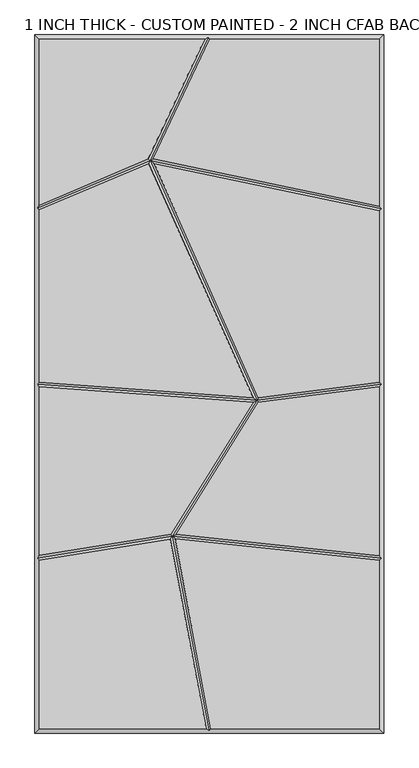
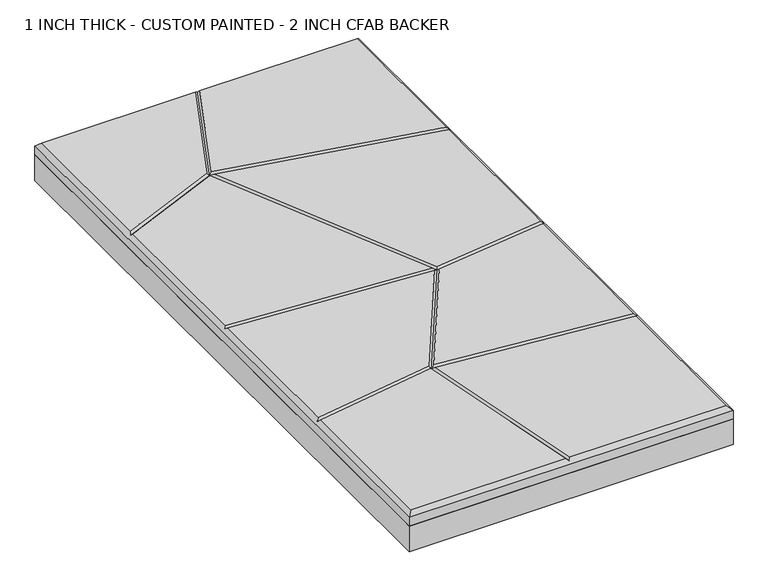
"""IFC4 building model written with IfcOpenShell, lengths in millimetres: proxy geometry, 1 INCH THICK - CUSTOM PAINTED - 2 INCH CFAB BACKER."""

from ifc_helpers import new_model, si_unit, frame, origin, place, context, project, spatial, polyline, outline, extrude, faceted_brep, source, transform, mapped, element, save


def proxy_1_inch_thick_custom_painted_2_inch_cfab_backer_5a79d540(model_context):
    return source(origin(), model_context, "Body", "SolidModel", [
        extrude(outline(polyline([(-304.8, 609.6), (304.8, 609.6), (304.8, -609.6), (-304.8, -609.6), (-304.8, 609.6)])), frame((0.0, 0.0, -50.8), z_axis=(0.0, 0.0, 1.0), x_axis=(1.0, 0.0, 0.0)), (0.0, 0.0, 1.0), 50.8),
        faceted_brep([(-8.2028961, 601.599, 25.4), (-296.799, 601.599, 25.4), (-296.799, 312.5432369, 25.4), (-106.5730663, 393.3098245, 25.4), (-296.799, -601.599, 25.4), (-5.5875044, -601.599, 25.4), (-68.2811687, -270.685629, 25.4), (-296.799, -307.5611441, 25.4), (296.799, 601.599, 25.4), (0.6455208, 601.599, 25.4), (-97.8234472, 393.1006299, 25.4), (296.799, 310.5605776, 25.4), (2.5558226, -601.599, 25.4), (296.799, -601.599, 25.4), (296.799, -307.9855233, 25.4), (-60.1438104, -270.6541244, 25.4), (296.799, 302.386434, 25.4), (-96.7636582, 384.7048187, 25.4), (85.535097, -23.8552953, 25.4), (296.799, 3.0150912, 25.4), (-105.6591812, 385.0055382, 25.4), (-296.799, 303.850931, 25.4), (-296.799, 3.4294067, 25.4), (76.7151864, -23.7240351, 25.4), (296.799, -5.0503652, 25.4), (85.483213, -31.9273507, 25.4), (-58.2987801, -262.8024498, 25.4), (296.799, -299.9408835, 25.4), (76.1939437, -31.7082565, 25.4), (-296.799, -4.5927076, 25.4), (-296.799, -299.4566417, 25.4), (-67.5090689, -262.4565343, 25.4), (-304.8, 609.6, 0.0), (304.8, 609.6, 0.0), (304.8, -609.6, 0.0), (-304.8, -609.6, 0.0), (-304.8, -609.6, 17.399), (-304.8, 609.6, 17.399), (304.8, -609.6, 17.399), (304.8, 609.6, 17.399), (-1.8893438, 605.5995, 21.3995), (-300.7995, -304.1544464, 21.3995), (-300.7995, -0.2908252, 21.3995), (-300.7995, 306.498542, 21.3995), (-0.7579204, -605.5995, 21.3995), (300.7995, 305.6367529, 21.3995), (300.7995, -0.5088185, 21.3995), (300.7995, -304.3816017, 21.3995), (-65.0752426, -266.1160433, 21.3995), (83.0924453, -28.1987012, 21.3995), (-103.6066104, 390.2231766, 21.3995)], [[[0, 1, 2, 3]], [[4, 5, 6, 7]], [[8, 9, 10, 11]], [[12, 13, 14, 15]], [[16, 17, 18, 19]], [[20, 21, 22, 23]], [[24, 25, 26, 27]], [[28, 29, 30, 31]], [[32, 33, 34, 35]], [[32, 35, 36, 37]], [[35, 34, 38, 36]], [[34, 33, 39, 38]], [[33, 32, 37, 39]], [[37, 1, 0, 40, 9, 8, 39]], [[1, 37, 36, 4, 7, 41, 30, 29, 42, 22, 21, 43, 2]], [[4, 36, 38, 13, 12, 44, 5]], [[39, 8, 11, 45, 16, 19, 46, 24, 27, 47, 14, 13, 38]], [[44, 48, 6, 5]], [[48, 44, 12, 15]], [[48, 49, 28, 31]], [[49, 48, 26, 25]], [[49, 50, 20, 23]], [[50, 49, 18, 17]], [[50, 40, 0, 3]], [[40, 50, 10, 9]], [[45, 50, 17, 16]], [[50, 45, 11, 10]], [[50, 43, 21, 20]], [[43, 50, 3, 2]], [[46, 49, 25, 24]], [[49, 46, 19, 18]], [[49, 42, 29, 28]], [[42, 49, 23, 22]], [[47, 48, 15, 14]], [[48, 47, 27, 26]], [[48, 41, 7, 6]], [[41, 48, 31, 30]]]),
    ])


if __name__ == "__main__":
    model = new_model("IFC4")
    model_context = context("Model", 3, world=origin())
    ifc_project = project(units=[si_unit("LENGTHUNIT", "METRE", prefix="MILLI")], contexts=[model_context])
    site = spatial("IfcSite", under=ifc_project)
    building = spatial("IfcBuilding", under=site)
    placement = place(None, origin())
    proxy_1_inch_thick_custom_painted_2_inch_cfab_backer_shape = proxy_1_inch_thick_custom_painted_2_inch_cfab_backer_5a79d540(model_context)
    element("IfcBuildingElementProxy", 1, Name="1 INCH THICK - CUSTOM PAINTED - 2 INCH CFAB BACKER", ObjectType="1 INCH THICK - CUSTOM PAINTED - 2 INCH CFAB BACKER", at=placement, inside=building, context=model_context, shape_type="MappedRepresentation", body=[
        mapped(proxy_1_inch_thick_custom_painted_2_inch_cfab_backer_shape, transform((0.0, 0.0, 0.0), x_axis=(1.0, 0.0, 0.0), y_axis=(0.0, 1.0, 0.0), z_axis=(0.0, 0.0, 1.0))),
    ])
    save(model, "model.ifc")
